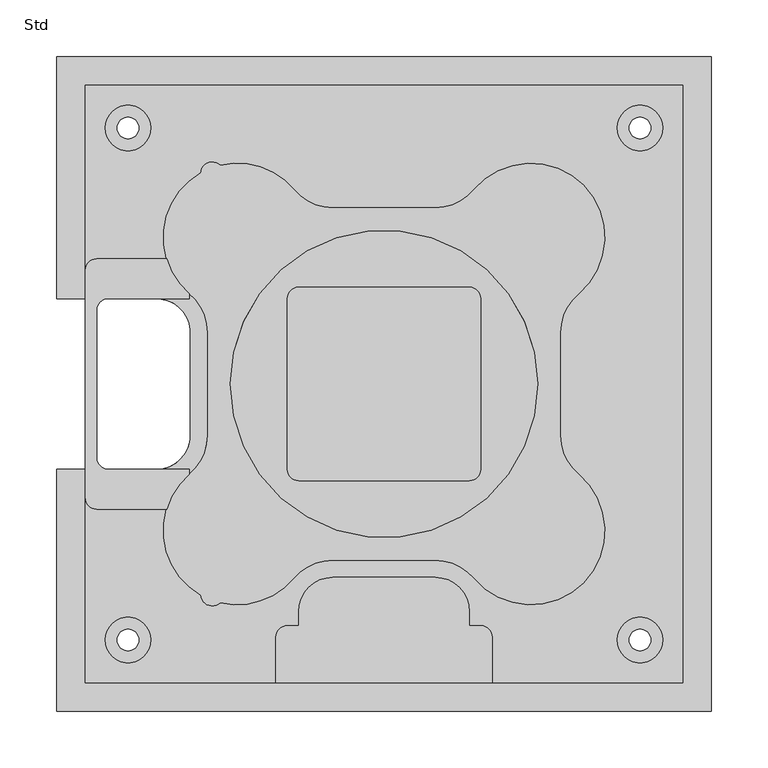
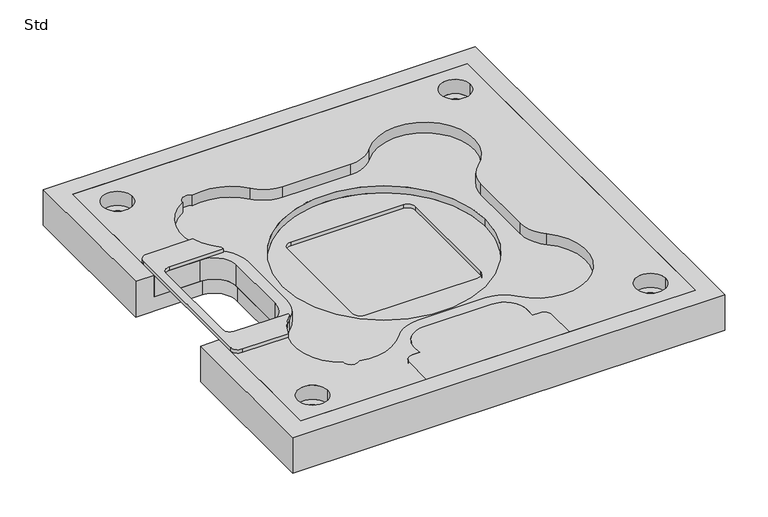
"""IFC4 building model written with IfcOpenShell, lengths in millimetres: proxy geometry, Std."""

from ifc_helpers import new_model, si_unit, point, frame, frame_2d, origin, origin_with_axes, place, context, project, spatial, polyline, circle_curve, trimmed, segment, composite_curve, outline, extrude, source, transform, mapped, element, save
from ifc_brep_helpers import plane_surface, cylinder_surface, revolved_surface, advanced_brep


def std_ff8d282c(model_context):
    return source(origin(), model_context, "Body", "SolidModel", [
        advanced_brep(
        [(-94.976566, -262.5, 0.0), (95.023434, -262.5, 0.0), (95.023434, -222.5, 0.0), (85.1118015, -212.5, 0.0), (75.023434, -212.5, 0.0), (75.023434, -200.0, 0.0), (45.0230489, -169.9996061, 0.0), (-44.9769511, -169.9996061, 0.0), (-74.976566, -200.1516073, 0.0), (-74.976566, -212.5, 0.0), (-84.8881985, -212.5, 0.0), (-94.976566, -222.5873652, 0.0), (-94.976566, -262.5, -5.0), (-94.976566, -222.5873652, -5.0), (-84.8881985, -212.5, -5.0), (-74.976566, -212.5, -5.0), (-74.976566, -200.1516073, -5.0), (-44.9769511, -169.9996061, -5.0), (45.0230489, -169.9996061, -5.0), (75.0230489, -199.9994213, -5.0), (75.023434, -212.5, -5.0), (85.1118015, -212.5, -5.0), (95.0230489, -222.4996061, -5.0), (95.023434, -262.5, -5.0)],
        [
            (0, 1),
            (1, 2),
            (2, 3, circle_curve(frame((85.0230489, -222.4996061, 0.0), z_axis=(0.0, 0.0, 1.0), x_axis=(-1.0, 0.0, 0.0)), 10.0)),
            (3, 4),
            (4, 5),
            (5, 6, circle_curve(frame((45.0230489, -199.9996061, 0.0), z_axis=(0.0, 0.0, 1.0), x_axis=(1.0, 0.0, 0.0)), 30.0)),
            (6, 7),
            (7, 8, circle_curve(frame((-44.9769511, -199.9996061, 0.0), z_axis=(0.0, 0.0, 1.0), x_axis=(1.0, 0.0, 0.0)), 30.0)),
            (8, 9),
            (9, 10),
            (10, 11, circle_curve(frame((-84.9769511, -222.4996061, 0.0), z_axis=(0.0, 0.0, 1.0), x_axis=(1.0, 0.0, 0.0)), 10.0)),
            (11, 0),
            (12, 13),
            (13, 14, circle_curve(frame((-84.9769511, -222.4996061, -5.0), z_axis=(0.0, 0.0, -1.0), x_axis=(1.0, 0.0, 0.0)), 10.0)),
            (14, 15),
            (15, 16),
            (16, 17, circle_curve(frame((-44.9769511, -199.9996061, -5.0), z_axis=(0.0, 0.0, -1.0), x_axis=(1.0, 0.0, 0.0)), 30.0)),
            (17, 18),
            (18, 19, circle_curve(frame((45.0230489, -199.9996061, -5.0), z_axis=(0.0, 0.0, -1.0), x_axis=(1.0, 0.0, 0.0)), 30.0)),
            (19, 20),
            (20, 21),
            (21, 22, circle_curve(frame((85.0230489, -222.4996061, -5.0), z_axis=(0.0, 0.0, -1.0), x_axis=(-1.0, 0.0, 0.0)), 10.0)),
            (22, 23),
            (23, 12),
            (0, 12),
            (23, 1),
            (22, 2),
            (21, 3),
            (20, 4),
            (19, 5),
            (18, 6),
            (17, 7),
            (16, 8),
            (15, 9),
            (14, 10),
            (13, 11),
        ],
        [
            plane_surface(frame((95.023434, -262.5, 0.0), z_axis=(0.0, 0.0, 1.0), x_axis=(1.0, 0.0, 0.0))),
            plane_surface(frame((95.023434, -262.5, -5.0), z_axis=(0.0, 0.0, -1.0), x_axis=(-1.0, 0.0, 0.0))),
            plane_surface(frame((-94.976566, -262.5, 0.0), z_axis=(0.0, -1.0, 0.0), x_axis=(0.0, 0.0, -1.0))),
            plane_surface(frame((95.023434, -262.5, 0.0), z_axis=(1.0, 0.0, 0.0), x_axis=(0.0, 0.0, -1.0))),
            cylinder_surface(frame((85.0230489, -222.4996061, -5.0), z_axis=(0.0, 0.0, 1.0), x_axis=(-1.0, 0.0, 0.0)), 10.0),
            plane_surface(frame((85.1118015, -212.5, 0.0), z_axis=(0.0, 1.0, 0.0), x_axis=(0.0, 0.0, -1.0))),
            plane_surface(frame((75.023434, -212.5, 0.0), z_axis=(1.0, 0.0, 0.0), x_axis=(0.0, 0.0, -1.0))),
            cylinder_surface(frame((45.0230489, -199.9996061, -5.0), z_axis=(0.0, 0.0, 1.0), x_axis=(1.0, 0.0, 0.0)), 30.0),
            plane_surface(frame((45.0230489, -169.9996061, 0.0), z_axis=(0.0, 1.0, 0.0), x_axis=(0.0, 0.0, -1.0))),
            cylinder_surface(frame((-44.9769511, -199.9996061, -5.0), z_axis=(0.0, 0.0, 1.0), x_axis=(1.0, 0.0, 0.0)), 30.0),
            plane_surface(frame((-74.976566, -200.1516073, 0.0), z_axis=(-1.0, 0.0, 0.0), x_axis=(0.0, 0.0, -1.0))),
            plane_surface(frame((-74.976566, -212.5, 0.0), z_axis=(0.0, 1.0, 0.0), x_axis=(0.0, 0.0, -1.0))),
            cylinder_surface(frame((-84.9769511, -222.4996061, -5.0), z_axis=(0.0, 0.0, 1.0), x_axis=(1.0, 0.0, 0.0)), 10.0),
            plane_surface(frame((-94.976566, -222.5873652, 0.0), z_axis=(-1.0, 0.0, 0.0), x_axis=(0.0, 0.0, -1.0))),
        ],
        [
            (0, [[1, 2, 3, 4, 5, 6, 7, 8, 9, 10, 11, 12]]),
            (1, [[13, 14, 15, 16, 17, 18, 19, 20, 21, 22, 23, 24]]),
            (2, [[-1, 25, -24, 26]]),
            (3, [[-2, -26, -23, 27]]),
            (4, [[-3, -27, -22, 28]]),
            (5, [[-4, -28, -21, 29]]),
            (6, [[-5, -29, -20, 30]]),
            (7, [[-6, -30, -19, 31]]),
            (8, [[-7, -31, -18, 32]]),
            (9, [[-8, -32, -17, 33]]),
            (10, [[-9, -33, -16, 34]]),
            (11, [[-10, -34, -15, 35]]),
            (12, [[-11, -35, -14, 36]]),
            (13, [[-12, -36, -13, -25]]),
        ],
    ),
        extrude(outline(composite_curve([segment(polyline([(-242.4792303, -75.0), (-170.9282038, -75.0), (-170.9282038, -79.3499101)]), True, "CONTINUOUS"), segment(trimmed(circle_curve(frame_2d((-128.9769511, -128.9996061)), 64.9999994), [point((-170.9282038, -79.3499101))], [point((-191.1398547, -110.005572))], True, "CARTESIAN"), True, "CONTINUOUS"), segment(polyline([(-191.1398547, -110.005572), (-252.4765661, -110.005572)]), True, "CONTINUOUS"), segment(trimmed(circle_curve(frame_2d((-252.476566, -100.005572)), 10.0), [point((-252.4765661, -110.005572))], [point((-262.476566, -100.005572))], False, "CARTESIAN"), True, "CONTINUOUS"), segment(polyline([(-262.476566, -100.005572), (-262.476566, 99.994428)]), True, "CONTINUOUS"), segment(trimmed(circle_curve(frame_2d((-252.476566, 99.994428)), 10.0), [point((-262.476566, 99.994428))], [point((-252.476566, 109.994428))], False, "CARTESIAN"), True, "CONTINUOUS"), segment(polyline([(-252.476566, 109.994428), (-191.1362084, 109.994428)]), True, "CONTINUOUS"), segment(trimmed(circle_curve(frame_2d((-128.9769511, 129.0003939)), 65.0), [point((-191.1362084, 109.994428))], [point((-170.9282038, 79.350697))], True, "CARTESIAN"), True, "CONTINUOUS"), segment(polyline([(-170.9282038, 79.350697), (-170.9282038, 74.994428), (-242.8129182, 74.994428)]), True, "CONTINUOUS"), segment(trimmed(circle_curve(frame_2d((-242.4792303, 65.005572)), 9.994428), [point((-242.8129182, 74.994428))], [point((-252.4736583, 65.005572))], True, "CARTESIAN"), True, "CONTINUOUS"), segment(polyline([(-252.4736583, 65.005572), (-252.4736583, -65.005572)]), True, "CONTINUOUS"), segment(trimmed(circle_curve(frame_2d((-242.4792303, -65.005572)), 9.994428), [point((-252.4736583, -65.005572))], [point((-242.4792303, -75.0))], True, "CARTESIAN"), True, "CONTINUOUS")], self_intersect=False)), origin_with_axes(), (0.0, 0.0, 1.0), 5.0),
        advanced_brep(
        [(262.5181126, 262.5, 0.0), (-262.476566, 262.5, 0.0), (-262.476566, 74.9737485, 0.0), (-201.3336541, 74.9737485, 0.0), (-170.0564851, 47.532813, 0.0), (-170.0564851, -42.3720669, 0.0), (-200.3853391, -75.0, 0.0), (-262.476566, -75.0, 0.0), (-262.476566, -262.5262515, 0.0), (-94.976566, -262.5262515, 0.0), (-94.976566, -222.5873652, 0.0), (-84.8881985, -212.5, 0.0), (-74.976566, -212.5, 0.0), (-74.976566, -200.1516073, 0.0), (-44.9769511, -169.9996061, 0.0), (45.0230489, -169.9996061, 0.0), (75.0230489, -199.9994213, 0.0), (75.023434, -212.5, 0.0), (85.1118015, -212.5, 0.0), (95.0230489, -222.4996061, 0.0), (95.023434, -262.5262515, 0.0), (262.5181126, -262.5262515, 0.0), (-204.9834366, 225.0, 0.0), (-245.0165634, 225.0, 0.0), (245.0, 225.0, 0.0), (205.0, 225.0, 0.0), (245.0117067, -225.0, 0.0), (204.9882933, -225.0, 0.0), (-205.0, -225.0, 0.0), (-245.0, -225.0, 0.0), (-154.976566, -44.9817511, 0.0), (-154.976566, 44.983, 0.0), (-170.9314966, 79.3534795, 0.0), (-161.0543603, 185.5339221, 0.0), (-143.9558308, 192.2509525, 0.0), (-79.3300367, 170.9549394, 0.0), (-44.9590961, 155.0003939, 0.0), (45.0051929, 155.0, 0.0), (79.3761341, 170.9549392, 0.0), (170.9775945, 79.3534794, 0.0), (155.023434, 44.7963761, 0.0), (155.023434, -45.1680251, 0.0), (170.977594, -79.3526922, 0.0), (79.3761348, -170.954151, 0.0), (44.8169186, -155.0, 0.0), (-45.1474803, -155.0, 0.0), (-79.3300372, -170.9541512, 0.0), (-144.0625797, -192.2247888, 0.0), (-160.958847, -185.5872218, 0.0), (-170.9314958, -79.3526919, 0.0), (262.5181126, 262.5, -30.0), (262.5181126, -262.5262515, -30.0), (95.023434, -262.5262515, -30.0), (95.023434, -222.5, -30.0), (85.1118015, -212.5, -30.0), (75.023434, -212.5, -30.0), (75.023434, -200.0, -30.0), (45.0230489, -169.9996061, -30.0), (-44.9769511, -169.9996061, -30.0), (-74.976566, -200.1516073, -30.0), (-74.976566, -212.5, -30.0), (-84.8881985, -212.5, -30.0), (-94.976566, -222.5873652, -30.0), (-94.976566, -262.5262515, -30.0), (-262.476566, -262.5262515, -30.0), (-262.476566, -75.0, -30.0), (-200.3853391, -75.0, -30.0), (-170.0564851, -42.3720669, -30.0), (-170.0564851, 47.532813, -30.0), (-201.3336541, 74.9737485, -30.0), (-262.476566, 74.9737485, -30.0), (-262.476566, 262.5, -30.0), (-234.523434, 225.0, -30.0), (-215.476566, 225.0, -30.0), (215.476566, 225.0, -30.0), (234.523434, 225.0, -30.0), (215.476566, -225.0, -30.0), (234.523434, -225.0, -30.0), (-234.523434, -225.0, -30.0), (-215.476566, -225.0, -30.0), (-84.976566, 75.0, -30.0), (-84.976566, -75.0, -30.0), (-74.976566, -85.0, -30.0), (75.023434, -85.0, -30.0), (85.023434, -75.0, -30.0), (85.023434, 75.0, -30.0), (75.023434, 85.0, -30.0), (-74.976566, 85.0, -30.0), (-215.476566, 225.0, -20.0), (-234.523434, 225.0, -20.0), (234.523434, 225.0, -20.0), (215.476566, 225.0, -20.0), (234.523434, -225.0, -20.0), (215.476566, -225.0, -20.0), (-215.476566, -225.0, -20.0), (-234.523434, -225.0, -20.0), (-74.976566, 85.0, -25.0), (-84.976566, 75.0, -25.0), (75.023434, 85.0, -25.0), (85.023434, 75.0, -25.0), (85.023434, -75.0, -25.0), (75.023434, -85.0, -25.0), (-74.976566, -85.0, -25.0), (-84.976566, -75.0, -25.0), (-245.0165634, 225.0, -20.0), (-204.9834366, 225.0, -20.0), (205.0, 225.0, -20.0), (245.0, 225.0, -20.0), (204.9882933, -225.0, -20.0), (245.0117067, -225.0, -20.0), (-245.0, -225.0, -20.0), (-205.0, -225.0, -20.0), (-154.976566, 44.983, -15.0), (-154.976566, -44.9817511, -15.0), (-170.9314968, -79.3526921, -15.0), (-160.958847, -185.5872218, -15.0), (-144.0625797, -192.2247888, -15.0), (-79.3300372, -170.9541512, -15.0), (-45.1474803, -155.0, -15.0), (44.8169186, -155.0, -15.0), (79.3761339, -170.9541518, -15.0), (170.977594, -79.3526922, -15.0), (155.023434, -45.1680251, -15.0), (155.023434, 44.7963761, -15.0), (170.9775943, 79.3534796, -15.0), (79.3761341, 170.9549392, -15.0), (45.0051929, 155.0003934, -15.0), (-44.9590961, 155.0, -15.0), (-79.3300369, 170.9549393, -15.0), (-143.9558308, 192.2509525, -15.0), (-161.0543603, 185.5339221, -15.0), (-170.9314966, 79.3534795, -15.0), (134.9888816, 0.0, -15.0), (-134.9888816, 0.0, -15.0), (-134.9888816, 0.0, -25.0), (134.9888816, 0.0, -25.0)],
        [
            (0, 1),
            (1, 2),
            (2, 3),
            (3, 4, circle_curve(frame((-200.026125, 44.9187486, 0.0), z_axis=(0.0, 0.0, -1.0), x_axis=(-0.012029541908187528, 0.9999276424429315, 0.0)), 30.0834281)),
            (4, 5),
            (5, 6, circle_curve(frame((-199.9202766, -45.022438, 0.0), z_axis=(0.0, 0.0, -1.0), x_axis=(-0.015511820817030429, -0.9998796844695568, 0.0)), 29.9811692)),
            (6, 7),
            (7, 8),
            (8, 9),
            (9, 10),
            (10, 11, circle_curve(frame((-84.9769511, -222.4996061, 0.0), z_axis=(0.0, 0.0, -1.0), x_axis=(1.0, 0.0, 0.0)), 10.0)),
            (11, 12),
            (12, 13),
            (13, 14, circle_curve(frame((-44.9769511, -199.9996061, 0.0), z_axis=(0.0, 0.0, -1.0), x_axis=(1.0, 0.0, 0.0)), 30.0)),
            (14, 15),
            (15, 16, circle_curve(frame((45.0230489, -199.9996061, 0.0), z_axis=(0.0, 0.0, -1.0), x_axis=(1.0, 0.0, 0.0)), 30.0)),
            (16, 17),
            (17, 18),
            (18, 19, circle_curve(frame((85.0230489, -222.4996061, 0.0), z_axis=(0.0, 0.0, -1.0), x_axis=(-1.0, 0.0, 0.0)), 10.0)),
            (19, 20),
            (20, 21),
            (21, 0),
            (22, 23, circle_curve(frame((-225.0, 225.0, 0.0), z_axis=(0.0, 0.0, -1.0), x_axis=(1.0, 0.0, 0.0)), 20.0165634)),
            (23, 22, circle_curve(frame((-225.0, 225.0, 0.0), z_axis=(0.0, 0.0, -1.0), x_axis=(1.0, 0.0, 0.0)), 20.0165634)),
            (24, 25, circle_curve(frame((225.0, 225.0, 0.0), z_axis=(0.0, 0.0, -1.0), x_axis=(1.0, 0.0, 0.0)), 20.0)),
            (25, 24, circle_curve(frame((225.0, 225.0, 0.0), z_axis=(0.0, 0.0, -1.0), x_axis=(1.0, 0.0, 0.0)), 20.0)),
            (26, 27, circle_curve(frame((225.0, -225.0, 0.0), z_axis=(0.0, 0.0, -1.0), x_axis=(1.0, 0.0, 0.0)), 20.0117067)),
            (27, 26, circle_curve(frame((225.0, -225.0, 0.0), z_axis=(0.0, 0.0, -1.0), x_axis=(1.0, 0.0, 0.0)), 20.0117067)),
            (28, 29, circle_curve(frame((-225.0, -225.0, 0.0), z_axis=(0.0, 0.0, -1.0), x_axis=(1.0, 0.0, 0.0)), 20.0)),
            (29, 28, circle_curve(frame((-225.0, -225.0, 0.0), z_axis=(0.0, 0.0, -1.0), x_axis=(1.0, 0.0, 0.0)), 20.0)),
            (30, 31),
            (31, 32, circle_curve(frame((-199.9769511, 44.9825389, 0.0), z_axis=(0.0, 0.0, 1.0), x_axis=(1.0, 0.0, 0.0)), 44.9999998)),
            (32, 33, circle_curve(frame((-128.9769511, 129.0003939, 0.0), z_axis=(0.0, 0.0, -1.0), x_axis=(-1.0, 0.0, 0.0)), 65.0)),
            (33, 34, circle_curve(frame((-150.976125, 185.000368, 0.0), z_axis=(0.0, 0.0, -1.0), x_axis=(1.0, 0.0, 0.0)), 10.0923489)),
            (34, 35, circle_curve(frame((-128.9769511, 129.0003939, 0.0), z_axis=(0.0, 0.0, -1.0), x_axis=(-1.0, 0.0, 0.0)), 65.0)),
            (35, 36, circle_curve(frame((-44.9590961, 200.0003939, 0.0), z_axis=(0.0, 0.0, 1.0), x_axis=(1.0, 0.0, 0.0)), 45.0)),
            (36, 37),
            (37, 38, circle_curve(frame((45.0051929, 200.0003939, 0.0), z_axis=(0.0, 0.0, 1.0), x_axis=(1.0, 0.0, 0.0)), 45.0000005)),
            (38, 39, circle_curve(frame((129.0230489, 129.0003939, 0.0), z_axis=(0.0, 0.0, -1.0), x_axis=(-1.0, 0.0, 0.0)), 65.0000001)),
            (39, 40, circle_curve(frame((200.0230489, 44.9825389, 0.0), z_axis=(0.0, 0.0, 1.0), x_axis=(1.0, 0.0, 0.0)), 45.0)),
            (40, 41),
            (41, 42, circle_curve(frame((200.0230489, -44.9817511, 0.0), z_axis=(0.0, 0.0, 1.0), x_axis=(1.0, 0.0, 0.0)), 45.0000005)),
            (42, 43, circle_curve(frame((129.0230489, -128.9996061, 0.0), z_axis=(0.0, 0.0, -1.0), x_axis=(-1.0, 0.0, 0.0)), 64.9999994)),
            (43, 44, circle_curve(frame((45.0051929, -199.9996061, 0.0), z_axis=(0.0, 0.0, 1.0), x_axis=(1.0, 0.0, 0.0)), 45.0)),
            (44, 45),
            (45, 46, circle_curve(frame((-44.9590961, -199.9996061, 0.0), z_axis=(0.0, 0.0, 1.0), x_axis=(1.0, 0.0, 0.0)), 45.0000005)),
            (46, 47, circle_curve(frame((-128.9769511, -128.9996061, 0.0), z_axis=(0.0, 0.0, -1.0), x_axis=(-1.0, 0.0, 0.0)), 64.9999994)),
            (47, 48, circle_curve(frame((-150.976125, -184.999632, 0.0), z_axis=(0.0, 0.0, -1.0), x_axis=(1.0, 0.0, 0.0)), 10.0)),
            (48, 49, circle_curve(frame((-128.9769511, -128.9996061, 0.0), z_axis=(0.0, 0.0, -1.0), x_axis=(-1.0, 0.0, 0.0)), 64.9999994)),
            (49, 30, circle_curve(frame((-199.9769511, -44.9817511, 0.0), z_axis=(0.0, 0.0, 1.0), x_axis=(1.0, 0.0, 0.0)), 45.0)),
            (50, 51),
            (51, 52),
            (52, 53),
            (53, 54, circle_curve(frame((85.0230489, -222.4996061, -30.0), z_axis=(0.0, 0.0, 1.0), x_axis=(-1.0, 0.0, 0.0)), 10.0)),
            (54, 55),
            (55, 56),
            (56, 57, circle_curve(frame((45.0230489, -199.9996061, -30.0), z_axis=(0.0, 0.0, 1.0), x_axis=(1.0, 0.0, 0.0)), 30.0)),
            (57, 58),
            (58, 59, circle_curve(frame((-44.9769511, -199.9996061, -30.0), z_axis=(0.0, 0.0, 1.0), x_axis=(1.0, 0.0, 0.0)), 30.0)),
            (59, 60),
            (60, 61),
            (61, 62, circle_curve(frame((-84.9769511, -222.4996061, -30.0), z_axis=(0.0, 0.0, 1.0), x_axis=(1.0, 0.0, 0.0)), 10.0)),
            (62, 63),
            (63, 64),
            (64, 65),
            (65, 66),
            (66, 67, circle_curve(frame((-199.9202766, -45.022438, -30.0), z_axis=(0.0, 0.0, 1.0), x_axis=(-0.015511820817030429, -0.9998796844695568, 0.0)), 29.9811692)),
            (67, 68),
            (68, 69, circle_curve(frame((-200.026125, 44.9187486, -30.0), z_axis=(0.0, 0.0, 1.0), x_axis=(-0.012029541908187528, 0.9999276424429315, 0.0)), 30.0834281)),
            (69, 70),
            (70, 71),
            (71, 50),
            (72, 73, circle_curve(frame((-225.0, 225.0, -30.0), z_axis=(0.0, 0.0, 1.0), x_axis=(1.0, 0.0, 0.0)), 9.523434)),
            (73, 72, circle_curve(frame((-225.0, 225.0, -30.0), z_axis=(0.0, 0.0, 1.0), x_axis=(1.0, 0.0, 0.0)), 9.523434)),
            (74, 75, circle_curve(frame((225.0, 225.0, -30.0), z_axis=(0.0, 0.0, 1.0), x_axis=(1.0, 0.0, 0.0)), 9.523434)),
            (75, 74, circle_curve(frame((225.0, 225.0, -30.0), z_axis=(0.0, 0.0, 1.0), x_axis=(1.0, 0.0, 0.0)), 9.523434)),
            (76, 77, circle_curve(frame((225.0, -225.0, -30.0), z_axis=(0.0, 0.0, 1.0), x_axis=(1.0, 0.0, 0.0)), 9.523434)),
            (77, 76, circle_curve(frame((225.0, -225.0, -30.0), z_axis=(0.0, 0.0, 1.0), x_axis=(1.0, 0.0, 0.0)), 9.523434)),
            (78, 79, circle_curve(frame((-225.0, -225.0, -30.0), z_axis=(0.0, 0.0, 1.0), x_axis=(1.0, 0.0, 0.0)), 9.523434)),
            (79, 78, circle_curve(frame((-225.0, -225.0, -30.0), z_axis=(0.0, 0.0, 1.0), x_axis=(1.0, 0.0, 0.0)), 9.523434)),
            (80, 81),
            (81, 82, circle_curve(frame((-74.976566, -75.0, -30.0), z_axis=(0.0, 0.0, 1.0), x_axis=(0.0, -1.0, 0.0)), 10.0)),
            (82, 83),
            (83, 84, circle_curve(frame((75.023434, -75.0, -30.0), z_axis=(0.0, 0.0, 1.0), x_axis=(1.0, 0.0, 0.0)), 10.0)),
            (84, 85),
            (85, 86, circle_curve(frame((75.023434, 75.0, -30.0), z_axis=(0.0, 0.0, 1.0), x_axis=(0.0, 1.0, 0.0)), 10.0)),
            (86, 87),
            (87, 80, circle_curve(frame((-74.976566, 75.0, -30.0), z_axis=(0.0, 0.0, 1.0), x_axis=(-1.0, 0.0, 0.0)), 10.0)),
            (0, 50),
            (71, 1),
            (3, 69),
            (68, 4),
            (67, 5),
            (66, 6),
            (7, 65),
            (64, 8),
            (20, 52),
            (51, 21),
            (73, 88),
            (88, 89, circle_curve(frame((-225.0, 225.0, -20.0), z_axis=(0.0, 0.0, 1.0), x_axis=(1.0, 0.0, 0.0)), 9.523434)),
            (89, 72),
            (89, 88, circle_curve(frame((-225.0, 225.0, -20.0), z_axis=(0.0, 0.0, 1.0), x_axis=(1.0, 0.0, 0.0)), 9.523434)),
            (75, 90),
            (90, 91, circle_curve(frame((225.0, 225.0, -20.0), z_axis=(0.0, 0.0, 1.0), x_axis=(1.0, 0.0, 0.0)), 9.523434)),
            (91, 74),
            (91, 90, circle_curve(frame((225.0, 225.0, -20.0), z_axis=(0.0, 0.0, 1.0), x_axis=(1.0, 0.0, 0.0)), 9.523434)),
            (77, 92),
            (92, 93, circle_curve(frame((225.0, -225.0, -20.0), z_axis=(0.0, 0.0, 1.0), x_axis=(1.0, 0.0, 0.0)), 9.523434)),
            (93, 76),
            (93, 92, circle_curve(frame((225.0, -225.0, -20.0), z_axis=(0.0, 0.0, 1.0), x_axis=(1.0, 0.0, 0.0)), 9.523434)),
            (79, 94),
            (94, 95, circle_curve(frame((-225.0, -225.0, -20.0), z_axis=(0.0, 0.0, 1.0), x_axis=(1.0, 0.0, 0.0)), 9.523434)),
            (95, 78),
            (95, 94, circle_curve(frame((-225.0, -225.0, -20.0), z_axis=(0.0, 0.0, 1.0), x_axis=(1.0, 0.0, 0.0)), 9.523434)),
            (87, 96),
            (96, 97, circle_curve(frame((-74.976566, 75.0, -25.0), z_axis=(0.0, 0.0, 1.0), x_axis=(-1.0, 0.0, 0.0)), 10.0)),
            (97, 80),
            (86, 98),
            (98, 96),
            (85, 99),
            (99, 98, circle_curve(frame((75.023434, 75.0, -25.0), z_axis=(0.0, 0.0, 1.0), x_axis=(0.0, 1.0, 0.0)), 10.0)),
            (84, 100),
            (100, 99),
            (83, 101),
            (101, 100, circle_curve(frame((75.023434, -75.0, -25.0), z_axis=(0.0, 0.0, 1.0), x_axis=(1.0, 0.0, 0.0)), 10.0)),
            (82, 102),
            (102, 101),
            (81, 103),
            (103, 102, circle_curve(frame((-74.976566, -75.0, -25.0), z_axis=(0.0, 0.0, 1.0), x_axis=(0.0, -1.0, 0.0)), 10.0)),
            (97, 103),
            (104, 105, circle_curve(frame((-225.0, 225.0, -20.0), z_axis=(0.0, 0.0, 1.0), x_axis=(1.0, 0.0, 0.0)), 20.0165634)),
            (105, 104, circle_curve(frame((-225.0, 225.0, -20.0), z_axis=(0.0, 0.0, 1.0), x_axis=(1.0, 0.0, 0.0)), 20.0165634)),
            (106, 107, circle_curve(frame((225.0, 225.0, -20.0), z_axis=(0.0, 0.0, 1.0), x_axis=(1.0, 0.0, 0.0)), 20.0)),
            (107, 106, circle_curve(frame((225.0, 225.0, -20.0), z_axis=(0.0, 0.0, 1.0), x_axis=(1.0, 0.0, 0.0)), 20.0)),
            (108, 109, circle_curve(frame((225.0, -225.0, -20.0), z_axis=(0.0, 0.0, 1.0), x_axis=(1.0, 0.0, 0.0)), 20.0117067)),
            (109, 108, circle_curve(frame((225.0, -225.0, -20.0), z_axis=(0.0, 0.0, 1.0), x_axis=(1.0, 0.0, 0.0)), 20.0117067)),
            (110, 111, circle_curve(frame((-225.0, -225.0, -20.0), z_axis=(0.0, 0.0, 1.0), x_axis=(1.0, 0.0, 0.0)), 20.0)),
            (111, 110, circle_curve(frame((-225.0, -225.0, -20.0), z_axis=(0.0, 0.0, 1.0), x_axis=(1.0, 0.0, 0.0)), 20.0)),
            (104, 23),
            (22, 105),
            (106, 25),
            (24, 107),
            (108, 27),
            (26, 109),
            (110, 29),
            (28, 111),
            (112, 113),
            (113, 114, circle_curve(frame((-199.9769511, -44.9817511, -15.0), z_axis=(0.0, 0.0, -1.0), x_axis=(1.0, 0.0, 0.0)), 45.0)),
            (114, 115, circle_curve(frame((-128.9769511, -128.9996061, -15.0), z_axis=(0.0, 0.0, 1.0), x_axis=(-1.0, 0.0, 0.0)), 64.9999994)),
            (115, 116, circle_curve(frame((-150.976125, -184.999632, -15.0), z_axis=(0.0, 0.0, 1.0), x_axis=(1.0, 0.0, 0.0)), 10.0)),
            (116, 117, circle_curve(frame((-128.9769511, -128.9996061, -15.0), z_axis=(0.0, 0.0, 1.0), x_axis=(-1.0, 0.0, 0.0)), 64.9999994)),
            (117, 118, circle_curve(frame((-44.9590961, -199.9996061, -15.0), z_axis=(0.0, 0.0, -1.0), x_axis=(1.0, 0.0, 0.0)), 45.0000005)),
            (118, 119),
            (119, 120, circle_curve(frame((45.0051929, -199.9996061, -15.0), z_axis=(0.0, 0.0, -1.0), x_axis=(1.0, 0.0, 0.0)), 45.0)),
            (120, 121, circle_curve(frame((129.0230489, -128.9996061, -15.0), z_axis=(0.0, 0.0, 1.0), x_axis=(-1.0, 0.0, 0.0)), 64.9999994)),
            (121, 122, circle_curve(frame((200.0230489, -44.9817511, -15.0), z_axis=(0.0, 0.0, -1.0), x_axis=(1.0, 0.0, 0.0)), 45.0000005)),
            (122, 123),
            (123, 124, circle_curve(frame((200.0230489, 44.9825389, -15.0), z_axis=(0.0, 0.0, -1.0), x_axis=(1.0, 0.0, 0.0)), 45.0)),
            (124, 125, circle_curve(frame((129.0230489, 129.0003939, -15.0), z_axis=(0.0, 0.0, 1.0), x_axis=(-1.0, 0.0, 0.0)), 65.0000001)),
            (125, 126, circle_curve(frame((45.0051929, 200.0003939, -15.0), z_axis=(0.0, 0.0, -1.0), x_axis=(1.0, 0.0, 0.0)), 45.0000005)),
            (126, 127),
            (127, 128, circle_curve(frame((-44.9590961, 200.0003939, -15.0), z_axis=(0.0, 0.0, -1.0), x_axis=(1.0, 0.0, 0.0)), 45.0)),
            (128, 129, circle_curve(frame((-128.9769511, 129.0003939, -15.0), z_axis=(0.0, 0.0, 1.0), x_axis=(-1.0, 0.0, 0.0)), 65.0)),
            (129, 130, circle_curve(frame((-150.976125, 185.000368, -15.0), z_axis=(0.0, 0.0, 1.0), x_axis=(1.0, 0.0, 0.0)), 10.0923489)),
            (130, 131, circle_curve(frame((-128.9769511, 129.0003939, -15.0), z_axis=(0.0, 0.0, 1.0), x_axis=(-1.0, 0.0, 0.0)), 65.0)),
            (131, 112, circle_curve(frame((-199.9769511, 44.9825389, -15.0), z_axis=(0.0, 0.0, -1.0), x_axis=(1.0, 0.0, 0.0)), 44.9999998)),
            (132, 133, circle_curve(frame((0.0, 0.0, -15.0), z_axis=(0.0, 0.0, -1.0), x_axis=(1.0, 0.0, 0.0)), 134.9888816)),
            (133, 132, circle_curve(frame((0.0, 0.0, -15.0), z_axis=(0.0, 0.0, -1.0), x_axis=(1.0, 0.0, 0.0)), 134.9888816)),
            (112, 31),
            (30, 113),
            (49, 114),
            (48, 115),
            (47, 116),
            (46, 117),
            (45, 118),
            (44, 119),
            (43, 120),
            (42, 121),
            (41, 122),
            (40, 123),
            (39, 124),
            (38, 125),
            (37, 126),
            (36, 127),
            (35, 128),
            (34, 129),
            (33, 130),
            (32, 131),
            (70, 2),
            (134, 135, circle_curve(frame((0.0, 0.0, -25.0), z_axis=(0.0, 0.0, 1.0), x_axis=(1.0, 0.0, 0.0)), 134.9888816)),
            (135, 134, circle_curve(frame((0.0, 0.0, -25.0), z_axis=(0.0, 0.0, 1.0), x_axis=(1.0, 0.0, 0.0)), 134.9888816)),
            (134, 133),
            (132, 135),
            (63, 9),
            (62, 10),
            (61, 11),
            (60, 12),
            (59, 13),
            (58, 14),
            (57, 15),
            (56, 16),
            (55, 17),
            (54, 18),
            (53, 19),
        ],
        [
            plane_surface(frame((-262.476566, 262.5, 0.0), z_axis=(0.0, 0.0, 1.0), x_axis=(-1.0, 0.0, 0.0))),
            plane_surface(frame((-262.476566, 262.5, -30.0), z_axis=(0.0, 0.0, -1.0), x_axis=(1.0, 0.0, 0.0))),
            plane_surface(frame((262.5181126, 262.5, 0.0), z_axis=(0.0, 1.0, 0.0), x_axis=(0.0, 0.0, -1.0))),
            revolved_surface(polyline([(-200.3880148590709, 74.99999993663444, -30.0), (-200.3880148590709, 74.99999993663444, 0.0)]), (-200.026125, 44.9187486, -30.0), (0.0, 0.0, -1.0)),
            plane_surface(frame((-170.0564851, 47.532813, 0.0), z_axis=(-1.0, 0.0, 0.0), x_axis=(0.0, 0.0, -1.0))),
            revolved_surface(polyline([(-200.38533912451547, -74.9999999997244, -30.0), (-200.38533912451547, -74.9999999997244, 0.0)]), (-199.9202766, -45.022438, -30.0), (0.0, 0.0, -1.0)),
            plane_surface(frame((-262.476566, -75.0, 0.0), z_axis=(-1.0, 0.0, 0.0), x_axis=(0.0, 0.0, -1.0))),
            plane_surface(frame((95.023434, -262.5262515, 0.0), z_axis=(0.0, -1.0, 0.0), x_axis=(0.0, 0.0, -1.0))),
            plane_surface(frame((262.5181126, -262.5262515, 0.0), z_axis=(1.0, 0.0, 0.0), x_axis=(0.0, 0.0, -1.0))),
            revolved_surface(polyline([(-215.476566, 225.0, -30.0), (-215.476566, 225.0, -20.0)]), (-225.0, 225.0, 0.0), (0.0, 0.0, -1.0)),
            revolved_surface(polyline([(234.523434, 225.0, -30.0), (234.523434, 225.0, -20.0)]), (225.0, 225.0, 0.0), (0.0, 0.0, -1.0)),
            revolved_surface(polyline([(234.523434, -225.0, -30.0), (234.523434, -225.0, -20.0)]), (225.0, -225.0, 0.0), (0.0, 0.0, -1.0)),
            revolved_surface(polyline([(-215.476566, -225.0, -30.0), (-215.476566, -225.0, -20.0)]), (-225.0, -225.0, 0.0), (0.0, 0.0, -1.0)),
            revolved_surface(polyline([(-84.976566, 75.0, -30.0), (-84.976566, 75.0, -25.0)]), (-74.976566, 75.0, 0.0), (0.0, 0.0, -1.0)),
            plane_surface(frame((-74.976566, 85.0, 0.0), z_axis=(0.0, -1.0, 0.0), x_axis=(0.0, 0.0, -1.0))),
            revolved_surface(polyline([(75.023434, 85.0, -30.0), (75.023434, 85.0, -25.0)]), (75.023434, 75.0, 0.0), (0.0, 0.0, -1.0)),
            plane_surface(frame((85.023434, 75.0, 0.0), z_axis=(-1.0, 0.0, 0.0), x_axis=(0.0, 0.0, -1.0))),
            revolved_surface(polyline([(85.023434, -75.0, -30.0), (85.023434, -75.0, -25.0)]), (75.023434, -75.0, 0.0), (0.0, 0.0, -1.0)),
            plane_surface(frame((75.023434, -85.0, 0.0), z_axis=(0.0, 1.0, 0.0), x_axis=(0.0, 0.0, -1.0))),
            revolved_surface(polyline([(-74.976566, -85.0, -30.0), (-74.976566, -85.0, -25.0)]), (-74.976566, -75.0, 0.0), (0.0, 0.0, -1.0)),
            plane_surface(frame((-84.976566, -75.0, 0.0), z_axis=(1.0, 0.0, 0.0), x_axis=(0.0, 0.0, -1.0))),
            plane_surface(frame((-204.9834366, 225.0, -20.0), z_axis=(0.0, 0.0, 1.0), x_axis=(0.0, -1.0, 0.0))),
            revolved_surface(polyline([(-204.9834366, 225.0, 0.0), (-204.9834366, 225.0, -20.0)]), (-225.0, 225.0, -20.0), (0.0, 0.0, 1.0)),
            revolved_surface(polyline([(245.0, 225.0, 0.0), (245.0, 225.0, -20.0)]), (225.0, 225.0, 0.0), (0.0, 0.0, 1.0)),
            revolved_surface(polyline([(245.0117067, -225.0, 0.0), (245.0117067, -225.0, -20.0)]), (225.0, -225.0, 0.0), (0.0, 0.0, 1.0)),
            revolved_surface(polyline([(-205.0, -225.0, 0.0), (-205.0, -225.0, -20.0)]), (-225.0, -225.0, 0.0), (0.0, 0.0, 1.0)),
            plane_surface(frame((-154.976566, 1.5, -15.0), z_axis=(0.0, 0.0, 1.0), x_axis=(0.0, 1.0, 0.0))),
            plane_surface(frame((-154.976566, 44.983, 0.0), z_axis=(1.0, 0.0, 0.0), x_axis=(0.0, 0.0, -1.0))),
            cylinder_surface(frame((-199.9769511, -44.9817511, -15.0), z_axis=(0.0, 0.0, -1.0), x_axis=(1.0, 0.0, 0.0)), 45.0),
            revolved_surface(polyline([(-193.9769505, -128.9996061, 0.0), (-193.9769505, -128.9996061, -15.0)]), (-128.9769511, -128.9996061, -15.0), (0.0, 0.0, 1.0)),
            revolved_surface(polyline([(-140.976125, -184.999632, 0.0), (-140.976125, -184.999632, -15.0)]), (-150.976125, -184.999632, -15.0), (0.0, 0.0, 1.0)),
            cylinder_surface(frame((-44.9590961, -199.9996061, -15.0), z_axis=(0.0, 0.0, -1.0), x_axis=(1.0, 0.0, 0.0)), 45.0000005),
            plane_surface(frame((-45.1474803, -155.0, 0.0), z_axis=(0.0, 1.0, 0.0), x_axis=(0.0, 0.0, -1.0))),
            cylinder_surface(frame((45.0051929, -199.9996061, -15.0), z_axis=(0.0, 0.0, -1.0), x_axis=(1.0, 0.0, 0.0)), 45.0),
            revolved_surface(polyline([(64.0230495, -128.9996061, 0.0), (64.0230495, -128.9996061, -15.0)]), (129.0230489, -128.9996061, -15.0), (0.0, 0.0, 1.0)),
            cylinder_surface(frame((200.0230489, -44.9817511, -15.0), z_axis=(0.0, 0.0, -1.0), x_axis=(1.0, 0.0, 0.0)), 45.0000005),
            plane_surface(frame((155.023434, -45.1680251, 0.0), z_axis=(-1.0, 0.0, 0.0), x_axis=(0.0, 0.0, -1.0))),
            cylinder_surface(frame((200.0230489, 44.9825389, -15.0), z_axis=(0.0, 0.0, -1.0), x_axis=(1.0, 0.0, 0.0)), 45.0),
            revolved_surface(polyline([(64.0230488, 129.0003939, 0.0), (64.0230488, 129.0003939, -15.0)]), (129.0230489, 129.0003939, -15.0), (0.0, 0.0, 1.0)),
            cylinder_surface(frame((45.0051929, 200.0003939, -15.0), z_axis=(0.0, 0.0, -1.0), x_axis=(1.0, 0.0, 0.0)), 45.0000005),
            plane_surface(frame((45.0051929, 155.0, 0.0), z_axis=(0.0, -1.0, 0.0), x_axis=(0.0, 0.0, -1.0))),
            cylinder_surface(frame((-44.9590961, 200.0003939, -15.0), z_axis=(0.0, 0.0, -1.0), x_axis=(1.0, 0.0, 0.0)), 45.0),
            revolved_surface(polyline([(-193.9769511, 129.0003939, 0.0), (-193.9769511, 129.0003939, -15.0)]), (-128.9769511, 129.0003939, -15.0), (0.0, 0.0, 1.0)),
            revolved_surface(polyline([(-140.8837761, 185.000368, 0.0), (-140.8837761, 185.000368, -15.0)]), (-150.976125, 185.000368, -15.0), (0.0, 0.0, 1.0)),
            cylinder_surface(frame((-199.9769511, 44.9825389, -15.0), z_axis=(0.0, 0.0, -1.0), x_axis=(1.0, 0.0, 0.0)), 44.9999998),
            plane_surface(frame((-262.476566, 262.5, 0.0), z_axis=(-1.0, 0.0, 0.0), x_axis=(0.0, 0.0, -1.0))),
            plane_surface(frame((-262.476566, 74.9737485, 0.0), z_axis=(0.0, -1.0, 0.0), x_axis=(0.0, 0.0, -1.0))),
            plane_surface(frame((-200.3853391, -75.0, 0.0), z_axis=(0.0, 1.0, 0.0), x_axis=(0.0, 0.0, -1.0))),
            plane_surface(frame((134.9888816, 0.0, -25.0), z_axis=(0.0, 0.0, 1.0), x_axis=(0.0, -1.0, 0.0))),
            revolved_surface(polyline([(134.9888816, 0.0, -15.0), (134.9888816, 0.0, -25.0)]), (0.0, 0.0, -25.0), (0.0, 0.0, 1.0)),
            plane_surface(frame((-262.476566, -262.5262515, 0.0), z_axis=(0.0, -1.0, 0.0), x_axis=(0.0, 0.0, -1.0))),
            plane_surface(frame((-94.976566, -262.5262515, 0.0), z_axis=(1.0, 0.0, 0.0), x_axis=(0.0, 0.0, -1.0))),
            revolved_surface(polyline([(-74.9769511, -222.4996061, -30.0), (-74.9769511, -222.4996061, 0.0)]), (-84.9769511, -222.4996061, -30.0), (0.0, 0.0, -1.0)),
            plane_surface(frame((-84.8881985, -212.5, 0.0), z_axis=(0.0, -1.0, 0.0), x_axis=(0.0, 0.0, -1.0))),
            plane_surface(frame((-74.976566, -212.5, 0.0), z_axis=(1.0, 0.0, 0.0), x_axis=(0.0, 0.0, -1.0))),
            revolved_surface(polyline([(-14.9769511, -199.9996061, -30.0), (-14.9769511, -199.9996061, 0.0)]), (-44.9769511, -199.9996061, -30.0), (0.0, 0.0, -1.0)),
            plane_surface(frame((-44.9769511, -169.9996061, 0.0), z_axis=(0.0, -1.0, 0.0), x_axis=(0.0, 0.0, -1.0))),
            revolved_surface(polyline([(75.02304889999999, -199.9996061, -30.0), (75.02304889999999, -199.9996061, 0.0)]), (45.0230489, -199.9996061, -30.0), (0.0, 0.0, -1.0)),
            plane_surface(frame((75.023434, -200.0, 0.0), z_axis=(-1.0, 0.0, 0.0), x_axis=(0.0, 0.0, -1.0))),
            plane_surface(frame((75.023434, -212.5, 0.0), z_axis=(0.0, -1.0, 0.0), x_axis=(0.0, 0.0, -1.0))),
            revolved_surface(polyline([(75.0230489, -222.4996061, -30.0), (75.0230489, -222.4996061, 0.0)]), (85.0230489, -222.4996061, -30.0), (0.0, 0.0, -1.0)),
            plane_surface(frame((95.023434, -222.5, 0.0), z_axis=(-1.0, 0.0, 0.0), x_axis=(0.0, 0.0, -1.0))),
        ],
        [
            (0, [[1, 2, 3, 4, 5, 6, 7, 8, 9, 10, 11, 12, 13, 14, 15, 16, 17, 18, 19, 20, 21, 22], [23, 24], [25, 26], [27, 28], [29, 30], [31, 32, 33, 34, 35, 36, 37, 38, 39, 40, 41, 42, 43, 44, 45, 46, 47, 48, 49, 50]]),
            (1, [[51, 52, 53, 54, 55, 56, 57, 58, 59, 60, 61, 62, 63, 64, 65, 66, 67, 68, 69, 70, 71, 72], [73, 74], [75, 76], [77, 78], [79, 80], [81, 82, 83, 84, 85, 86, 87, 88]]),
            (2, [[-1, 89, -72, 90]]),
            (3, [[-4, 91, -69, 92]]),
            (4, [[-5, -92, -68, 93]]),
            (5, [[-6, -93, -67, 94]]),
            (6, [[-8, 95, -65, 96]]),
            (7, [[-21, 97, -52, 98]]),
            (8, [[-22, -98, -51, -89]]),
            (9, [[-74, 99, 100, 101]]),
            (9, [[-73, -101, 102, -99]]),
            (10, [[-76, 103, 104, 105]]),
            (10, [[-75, -105, 106, -103]]),
            (11, [[-78, 107, 108, 109]]),
            (11, [[-77, -109, 110, -107]]),
            (12, [[-80, 111, 112, 113]]),
            (12, [[-79, -113, 114, -111]]),
            (13, [[-88, 115, 116, 117]]),
            (14, [[-87, 118, 119, -115]]),
            (15, [[-86, 120, 121, -118]]),
            (16, [[-85, 122, 123, -120]]),
            (17, [[-84, 124, 125, -122]]),
            (18, [[-83, 126, 127, -124]]),
            (19, [[-82, 128, 129, -126]]),
            (20, [[-81, -117, 130, -128]]),
            (21, [[131, 132], [-100, -102]]),
            (21, [[133, 134], [-104, -106]]),
            (21, [[135, 136], [-108, -110]]),
            (21, [[137, 138], [-112, -114]]),
            (22, [[-131, 139, -23, 140]]),
            (22, [[-132, -140, -24, -139]]),
            (23, [[-133, 141, -25, 142]]),
            (23, [[-134, -142, -26, -141]]),
            (24, [[-135, 143, -27, 144]]),
            (24, [[-136, -144, -28, -143]]),
            (25, [[-137, 145, -29, 146]]),
            (25, [[-138, -146, -30, -145]]),
            (26, [[147, 148, 149, 150, 151, 152, 153, 154, 155, 156, 157, 158, 159, 160, 161, 162, 163, 164, 165, 166], [167, 168]]),
            (27, [[-147, 169, -31, 170]]),
            (28, [[-148, -170, -50, 171]]),
            (29, [[-149, -171, -49, 172]]),
            (30, [[-150, -172, -48, 173]]),
            (29, [[-151, -173, -47, 174]]),
            (31, [[-152, -174, -46, 175]]),
            (32, [[-153, -175, -45, 176]]),
            (33, [[-154, -176, -44, 177]]),
            (34, [[-155, -177, -43, 178]]),
            (35, [[-156, -178, -42, 179]]),
            (36, [[-157, -179, -41, 180]]),
            (37, [[-158, -180, -40, 181]]),
            (38, [[-159, -181, -39, 182]]),
            (39, [[-160, -182, -38, 183]]),
            (40, [[-161, -183, -37, 184]]),
            (41, [[-162, -184, -36, 185]]),
            (42, [[-163, -185, -35, 186]]),
            (43, [[-164, -186, -34, 187]]),
            (42, [[-165, -187, -33, 188]]),
            (44, [[-166, -188, -32, -169]]),
            (45, [[-2, -90, -71, 189]]),
            (46, [[-3, -189, -70, -91]]),
            (47, [[-7, -94, -66, -95]]),
            (48, [[190, 191], [-116, -119, -121, -123, -125, -127, -129, -130]]),
            (49, [[-190, 192, -167, 193]]),
            (49, [[-191, -193, -168, -192]]),
            (50, [[-9, -96, -64, 194]]),
            (51, [[-10, -194, -63, 195]]),
            (52, [[-11, -195, -62, 196]]),
            (53, [[-12, -196, -61, 197]]),
            (54, [[-13, -197, -60, 198]]),
            (55, [[-14, -198, -59, 199]]),
            (56, [[-15, -199, -58, 200]]),
            (57, [[-16, -200, -57, 201]]),
            (58, [[-17, -201, -56, 202]]),
            (59, [[-18, -202, -55, 203]]),
            (60, [[-19, -203, -54, 204]]),
            (61, [[-20, -204, -53, -97]]),
        ],
    ),
        advanced_brep(
        [(287.5181126, 287.4737485, -50.0), (287.5181126, -287.5262515, -50.0), (-287.4818874, -287.5262515, -50.0), (-287.4818874, -75.0262515, -50.0), (-199.9202766, -75.0262515, -50.0), (-169.9769511, -43.5165273, -50.0), (-169.9769511, 43.4835499, -50.0), (-198.718596, 74.9737485, -50.0), (-287.4818874, 74.9737485, -50.0), (-287.4818874, 287.4737485, -50.0), (-234.523434, 225.0, -50.0), (-215.476566, 225.0, -50.0), (215.476566, 225.0, -50.0), (234.523434, 225.0, -50.0), (215.476566, -225.0, -50.0), (234.523434, -225.0, -50.0), (-234.523434, -225.0, -50.0), (-215.476566, -225.0, -50.0), (287.5181126, 287.4737485, 0.0), (-287.4818874, 287.4737485, 0.0), (-287.4818874, 74.9737485, 0.0), (-262.4818874, 74.9737485, 0.0), (-262.4818874, 262.4737485, 0.0), (262.523434, 262.4737485, 0.0), (262.523434, -262.5, 0.0), (-262.4818874, -262.5, 0.0), (-262.4818874, -75.0262515, 0.0), (-287.4818874, -75.0262515, 0.0), (-287.4818874, -287.5262515, 0.0), (287.5181126, -287.5262515, 0.0), (262.523434, 262.4737485, -30.0), (-262.4818874, 262.4737485, -30.0), (-262.4818874, 74.9737485, -30.0), (-198.718596, 74.9737485, -30.0), (-169.9769511, 43.4835499, -30.0), (-169.9769511, -43.5165273, -30.0), (-199.9202766, -75.0036072, -30.0), (-262.4818874, -75.0262515, -30.0), (-262.4818874, -262.5, -30.0), (262.523434, -262.5, -30.0), (-234.523434, 225.0, -30.0), (-215.476566, 225.0, -30.0), (215.476566, 225.0, -30.0), (234.523434, 225.0, -30.0), (215.476566, -225.0, -30.0), (234.523434, -225.0, -30.0), (-234.523434, -225.0, -30.0), (-215.476566, -225.0, -30.0)],
        [
            (0, 1),
            (1, 2),
            (2, 3),
            (3, 4),
            (4, 5, circle_curve(frame((-199.9202766, -45.022438, -50.0), z_axis=(0.0, 0.0, 1.0), x_axis=(-0.015511820817030429, -0.9998796844695568, 0.0)), 29.9811692)),
            (5, 6),
            (6, 7, circle_curve(frame((-200.026125, 44.9187486, -50.0), z_axis=(0.0, 0.0, 1.0), x_axis=(-0.012029541908187528, 0.9999276424429315, 0.0)), 30.0834281)),
            (7, 8),
            (8, 9),
            (9, 0),
            (10, 11, circle_curve(frame((-225.0, 225.0, -50.0), z_axis=(0.0, 0.0, 1.0), x_axis=(1.0, 0.0, 0.0)), 9.523434)),
            (11, 10, circle_curve(frame((-225.0, 225.0, -50.0), z_axis=(0.0, 0.0, 1.0), x_axis=(1.0, 0.0, 0.0)), 9.523434)),
            (12, 13, circle_curve(frame((225.0, 225.0, -50.0), z_axis=(0.0, 0.0, 1.0), x_axis=(1.0, 0.0, 0.0)), 9.523434)),
            (13, 12, circle_curve(frame((225.0, 225.0, -50.0), z_axis=(0.0, 0.0, 1.0), x_axis=(1.0, 0.0, 0.0)), 9.523434)),
            (14, 15, circle_curve(frame((225.0, -225.0, -50.0), z_axis=(0.0, 0.0, 1.0), x_axis=(1.0, 0.0, 0.0)), 9.523434)),
            (15, 14, circle_curve(frame((225.0, -225.0, -50.0), z_axis=(0.0, 0.0, 1.0), x_axis=(1.0, 0.0, 0.0)), 9.523434)),
            (16, 17, circle_curve(frame((-225.0, -225.0, -50.0), z_axis=(0.0, 0.0, 1.0), x_axis=(1.0, 0.0, 0.0)), 9.523434)),
            (17, 16, circle_curve(frame((-225.0, -225.0, -50.0), z_axis=(0.0, 0.0, 1.0), x_axis=(1.0, 0.0, 0.0)), 9.523434)),
            (18, 19),
            (19, 20),
            (20, 21),
            (21, 22),
            (22, 23),
            (23, 24),
            (24, 25),
            (25, 26),
            (26, 27),
            (27, 28),
            (28, 29),
            (29, 18),
            (9, 19),
            (18, 0),
            (2, 28),
            (27, 3),
            (1, 29),
            (30, 31),
            (31, 32),
            (32, 33),
            (33, 34, circle_curve(frame((-200.026125, 44.9187486, -30.0), z_axis=(0.0, 0.0, -1.0), x_axis=(-0.012029541908187528, 0.9999276424429315, 0.0)), 30.0834281)),
            (34, 35),
            (35, 36, circle_curve(frame((-199.9202766, -45.022438, -30.0), z_axis=(0.0, 0.0, -1.0), x_axis=(-0.015511820817030429, -0.9998796844695568, 0.0)), 29.9811692)),
            (36, 37),
            (37, 38),
            (38, 39),
            (39, 30),
            (40, 41, circle_curve(frame((-225.0, 225.0, -30.0), z_axis=(0.0, 0.0, -1.0), x_axis=(1.0, 0.0, 0.0)), 9.523434)),
            (41, 40, circle_curve(frame((-225.0, 225.0, -30.0), z_axis=(0.0, 0.0, -1.0), x_axis=(1.0, 0.0, 0.0)), 9.523434)),
            (42, 43, circle_curve(frame((225.0, 225.0, -30.0), z_axis=(0.0, 0.0, -1.0), x_axis=(1.0, 0.0, 0.0)), 9.523434)),
            (43, 42, circle_curve(frame((225.0, 225.0, -30.0), z_axis=(0.0, 0.0, -1.0), x_axis=(1.0, 0.0, 0.0)), 9.523434)),
            (44, 45, circle_curve(frame((225.0, -225.0, -30.0), z_axis=(0.0, 0.0, -1.0), x_axis=(1.0, 0.0, 0.0)), 9.523434)),
            (45, 44, circle_curve(frame((225.0, -225.0, -30.0), z_axis=(0.0, 0.0, -1.0), x_axis=(1.0, 0.0, 0.0)), 9.523434)),
            (46, 47, circle_curve(frame((-225.0, -225.0, -30.0), z_axis=(0.0, 0.0, -1.0), x_axis=(1.0, 0.0, 0.0)), 9.523434)),
            (47, 46, circle_curve(frame((-225.0, -225.0, -30.0), z_axis=(0.0, 0.0, -1.0), x_axis=(1.0, 0.0, 0.0)), 9.523434)),
            (30, 23),
            (22, 31),
            (21, 32),
            (25, 38),
            (37, 26),
            (24, 39),
            (8, 20),
            (7, 33),
            (36, 4),
            (6, 34),
            (5, 35),
            (11, 41),
            (40, 10),
            (13, 43),
            (42, 12),
            (15, 45),
            (44, 14),
            (17, 47),
            (46, 16),
        ],
        [
            plane_surface(frame((-287.4818874, 287.4737485, -50.0), z_axis=(0.0, 0.0, -1.0), x_axis=(1.0, 0.0, 0.0))),
            plane_surface(frame((-287.4818874, 287.4737485, 0.0), z_axis=(0.0, 0.0, 1.0), x_axis=(-1.0, 0.0, 0.0))),
            plane_surface(frame((287.5181126, 287.4737485, 0.0), z_axis=(0.0, 1.0, 0.0), x_axis=(0.0, 0.0, -1.0))),
            plane_surface(frame((-287.4818874, -75.0262515, 0.0), z_axis=(-1.0, 0.0, 0.0), x_axis=(0.0, 0.0, -1.0))),
            plane_surface(frame((-287.4818874, -287.5262515, 0.0), z_axis=(0.0, -1.0, 0.0), x_axis=(0.0, 0.0, -1.0))),
            plane_surface(frame((287.5181126, -287.5262515, 0.0), z_axis=(1.0, 0.0, 0.0), x_axis=(0.0, 0.0, -1.0))),
            plane_surface(frame((-262.4818874, 262.4737485, -30.0), z_axis=(0.0, 0.0, 1.0), x_axis=(1.0, 0.0, 0.0))),
            plane_surface(frame((262.523434, 262.4737485, 0.0), z_axis=(0.0, -1.0, 0.0), x_axis=(0.0, 0.0, -1.0))),
            plane_surface(frame((-262.4818874, 262.4737485, 0.0), z_axis=(1.0, 0.0, 0.0), x_axis=(0.0, 0.0, -1.0))),
            plane_surface(frame((-262.4818874, -262.5, 0.0), z_axis=(0.0, 1.0, 0.0), x_axis=(0.0, 0.0, -1.0))),
            plane_surface(frame((262.523434, -262.5, 0.0), z_axis=(-1.0, 0.0, 0.0), x_axis=(0.0, 0.0, -1.0))),
            plane_surface(frame((-287.4818874, 287.4737485, 0.0), z_axis=(-1.0, 0.0, 0.0), x_axis=(0.0, 0.0, -1.0))),
            plane_surface(frame((-287.4818874, 74.9737485, 0.0), z_axis=(0.0, -1.0, 0.0), x_axis=(0.0, 0.0, -1.0))),
            plane_surface(frame((-199.9202766, -75.0262515, 0.0), z_axis=(0.0, 1.0, 0.0), x_axis=(0.0, 0.0, -1.0))),
            revolved_surface(polyline([(-200.3880148590709, 74.99999993663444, -50.0), (-200.3880148590709, 74.99999993663444, -30.0)]), (-200.026125, 44.9187486, -50.0), (0.0, 0.0, -1.0)),
            plane_surface(frame((-169.9769511, 43.4835499, 0.0), z_axis=(-1.0, 3.051006546687003e-12, 0.0), x_axis=(0.0, 0.0, -1.0))),
            revolved_surface(polyline([(-200.38533912451547, -74.9999999997244, -50.0), (-200.38533912451547, -74.9999999997244, -30.0)]), (-199.9202766, -45.022438, -50.0), (0.0, 0.0, -1.0)),
            revolved_surface(polyline([(-215.476566, 225.0, -50.0), (-215.476566, 225.0, -30.0)]), (-225.0, 225.0, 0.0), (0.0, 0.0, -1.0)),
            revolved_surface(polyline([(234.523434, 225.0, -50.0), (234.523434, 225.0, -30.0)]), (225.0, 225.0, 0.0), (0.0, 0.0, -1.0)),
            revolved_surface(polyline([(234.523434, -225.0, -50.0), (234.523434, -225.0, -30.0)]), (225.0, -225.0, 0.0), (0.0, 0.0, -1.0)),
            revolved_surface(polyline([(-215.476566, -225.0, -50.0), (-215.476566, -225.0, -30.0)]), (-225.0, -225.0, 0.0), (0.0, 0.0, -1.0)),
        ],
        [
            (0, [[1, 2, 3, 4, 5, 6, 7, 8, 9, 10], [11, 12], [13, 14], [15, 16], [17, 18]]),
            (1, [[19, 20, 21, 22, 23, 24, 25, 26, 27, 28, 29, 30]]),
            (2, [[-10, 31, -19, 32]]),
            (3, [[-3, 33, -28, 34]]),
            (4, [[-2, 35, -29, -33]]),
            (5, [[-1, -32, -30, -35]]),
            (6, [[36, 37, 38, 39, 40, 41, 42, 43, 44, 45], [46, 47], [48, 49], [50, 51], [52, 53]]),
            (7, [[-36, 54, -23, 55]]),
            (8, [[-55, -22, 56, -37]]),
            (8, [[57, -43, 58, -26]]),
            (9, [[-44, -57, -25, 59]]),
            (10, [[-45, -59, -24, -54]]),
            (11, [[-9, 60, -20, -31]]),
            (12, [[-8, 61, -38, -56, -21, -60]]),
            (13, [[-4, -34, -27, -58, -42, 62]]),
            (14, [[-7, 63, -39, -61]]),
            (15, [[-6, 64, -40, -63]]),
            (16, [[-5, -62, -41, -64]]),
            (17, [[-12, 65, -46, 66]]),
            (17, [[-11, -66, -47, -65]]),
            (18, [[-14, 67, -48, 68]]),
            (18, [[-13, -68, -49, -67]]),
            (19, [[-16, 69, -50, 70]]),
            (19, [[-15, -70, -51, -69]]),
            (20, [[-18, 71, -52, 72]]),
            (20, [[-17, -72, -53, -71]]),
        ],
    ),
    ])


if __name__ == "__main__":
    model = new_model("IFC4")
    model_context = context("Model", 3, world=origin())
    ifc_project = project(units=[si_unit("LENGTHUNIT", "METRE", prefix="MILLI")], contexts=[model_context])
    site = spatial("IfcSite", under=ifc_project)
    building = spatial("IfcBuilding", under=site)
    placement = place(None, origin())
    std_shape = std_ff8d282c(model_context)
    element("IfcBuildingElementProxy", 1, Name="Std", ObjectType="Std", at=placement, inside=building, context=model_context, shape_type="MappedRepresentation", body=[
        mapped(std_shape, transform((0.0, 0.0, 0.0), x_axis=(1.0, 0.0, 0.0), y_axis=(0.0, 1.0, 0.0), z_axis=(0.0, 0.0, 1.0))),
    ])
    save(model, "model.ifc")
